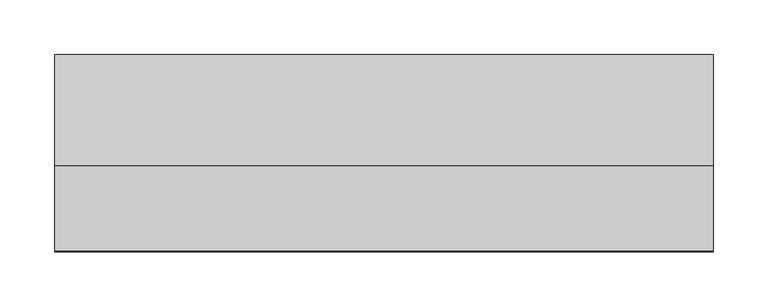
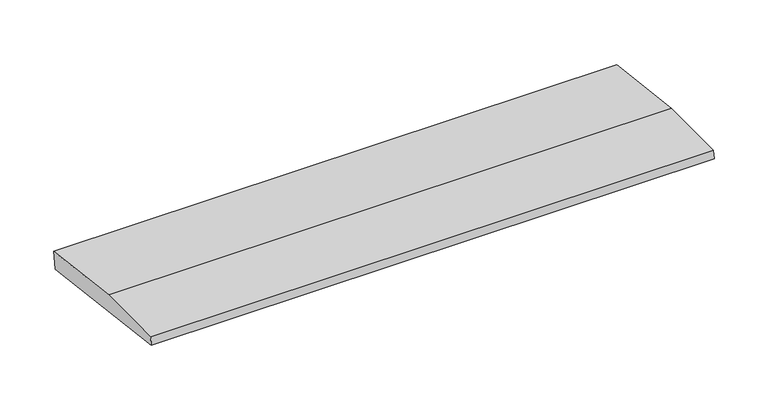
"""IFC4 building model written with IfcOpenShell, lengths in millimetres: beam geometry."""

import ifcopenshell
import ifcopenshell.guid

model = None  # the IFC model being written
_history = None  # IfcOwnerHistory: only IFC2X3 demands one
_inside = {}  # id of a spatial element -> (the spatial element, [elements in it])
_under = {}  # id of a project, library or spatial element -> (it, [spatial elements below it])
_declared = {}  # id of a project -> (the project, [libraries it declares])
_typed = {}  # id of a type object -> (the type object, [elements of that type])
_made_of = {}  # id of a material, layer set ... -> (it, [elements and type objects made of it])


def new_model(schema):
    """Start an empty IFC model of exactly this schema.

    Asked for "IFC4X3", IfcOpenShell would pick the latest addendum, in which some entities
    have other attributes; the version numbers below select the first issue.
    IFC2X3 requires an IfcOwnerHistory on every rooted entity: one is made here for all.
    """
    global model, _history
    if schema == "IFC4X3":
        model = ifcopenshell.file(schema_version=(4, 3, 0, 0))
    else:
        model = ifcopenshell.file(schema=schema)
    _inside.clear()
    _under.clear()
    _declared.clear()
    _typed.clear()
    _made_of.clear()
    _history = None
    if model.schema == "IFC2X3":
        org = make("IfcOrganization", Name="unknown")
        user = make(
            "IfcPersonAndOrganization",
            ThePerson=make("IfcPerson", FamilyName="unknown"),
            TheOrganization=org,
        )
        app = make(
            "IfcApplication",
            ApplicationDeveloper=org,
            Version="unknown",
            ApplicationFullName="unknown",
            ApplicationIdentifier="unknown",
        )
        _history = make(
            "IfcOwnerHistory",
            OwningUser=user,
            OwningApplication=app,
            ChangeAction="ADDED",
            CreationDate=0,
        )
    return model


def make(cls, **values):
    """One entity of the class cls with the attributes given. An attribute that is None is left unset."""
    return model.create_entity(
        cls, **{name: value for name, value in values.items() if value is not None}
    )


def rooted(cls, **values):
    """An entity with a GlobalId (a new one), such as an element, a storey or a relation."""
    return make(cls, GlobalId=ifcopenshell.guid.new(), OwnerHistory=_history, **values)


def si_unit(unit_type, name, prefix=None):
    """IfcSIUnit, for example si_unit("LENGTHUNIT", "METRE", prefix="MILLI")."""
    return make("IfcSIUnit", UnitType=unit_type, Prefix=prefix, Name=name)


def assignment(units):
    """IfcUnitAssignment: the units of a project."""
    return None if units is None else make("IfcUnitAssignment", Units=units)


def point(xyz):
    """IfcCartesianPoint."""
    return None if xyz is None else make("IfcCartesianPoint", Coordinates=xyz)


def direction(xyz):
    """IfcDirection."""
    return None if xyz is None else make("IfcDirection", DirectionRatios=xyz)


def frame(location, z_axis=None, x_axis=None):
    """IfcAxis2Placement3D, a coordinate frame: its origin and axes. An axis left out is left unset."""
    return make(
        "IfcAxis2Placement3D",
        Location=point(location),
        Axis=direction(z_axis),
        RefDirection=direction(x_axis),
    )


def origin():
    """The frame at (0, 0, 0) with its axes left unset."""
    return frame((0.0, 0.0, 0.0))


def place(relative_to, where):
    """IfcLocalPlacement: puts the frame where relative to a parent placement (None: the world)."""
    return make(
        "IfcLocalPlacement", PlacementRelTo=relative_to, RelativePlacement=where
    )


def context(
    kind, dimensions, precision=None, world=None, true_north=None, identifier=None
):
    """IfcGeometricRepresentationContext, for example the 3D "Model" context."""
    return make(
        "IfcGeometricRepresentationContext",
        ContextIdentifier=identifier,
        ContextType=kind,
        CoordinateSpaceDimension=dimensions,
        Precision=precision,
        WorldCoordinateSystem=world,
        TrueNorth=true_north,
    )


def project(units=None, contexts=None):
    """IfcProject with its units and contexts."""
    return rooted(
        "IfcProject",
        Name="project",
        RepresentationContexts=contexts,
        UnitsInContext=assignment(units),
    )


def spatial(cls, under=None, at=None, **own):
    """A site, building, storey or space (cls), placed at a placement, below another one or the project."""
    s = rooted(cls, ObjectPlacement=at, **own)
    if under is not None:
        _under.setdefault(under.id(), (under, []))[1].append(s)
    return s


def polyline(points):
    """IfcPolyline through the points."""
    return make("IfcPolyline", Points=[point(p) for p in points])


def outline(outer, holes=None, kind="AREA"):
    """IfcArbitraryClosedProfileDef: a profile drawn as a closed curve; with holes, ...WithVoids."""
    if holes is None:
        return make("IfcArbitraryClosedProfileDef", ProfileType=kind, OuterCurve=outer)
    return make(
        "IfcArbitraryProfileDefWithVoids",
        ProfileType=kind,
        OuterCurve=outer,
        InnerCurves=holes,
    )


def extrude(swept, where, along, depth):
    """IfcExtrudedAreaSolid: the profile swept, set in the frame where, extruded along a direction by depth."""
    return make(
        "IfcExtrudedAreaSolid",
        SweptArea=swept,
        Position=where,
        ExtrudedDirection=direction(along),
        Depth=depth,
    )


def shape(context_of_items, identifier, shape_type, items):
    """IfcShapeRepresentation: the items that make up one representation, for example the "Body"."""
    return make(
        "IfcShapeRepresentation",
        ContextOfItems=context_of_items,
        RepresentationIdentifier=identifier,
        RepresentationType=shape_type,
        Items=items,
    )


def source(mapping_origin, context_of_items, identifier, shape_type, items):
    """IfcRepresentationMap: a shape defined once, which mapped items show again and again."""
    return make(
        "IfcRepresentationMap",
        MappingOrigin=mapping_origin,
        MappedRepresentation=shape(context_of_items, identifier, shape_type, items),
    )


def transform(
    local_origin,
    x_axis=None,
    y_axis=None,
    z_axis=None,
    scale=None,
    scale2=None,
    scale3=None,
    uniform=True,
):
    """IfcCartesianTransformationOperator3D, or its non-uniform kind. x_axis, y_axis, z_axis: its Axis1, 2, 3."""
    if uniform:
        return make(
            "IfcCartesianTransformationOperator3D",
            Axis1=direction(x_axis),
            Axis2=direction(y_axis),
            LocalOrigin=point(local_origin),
            Scale=scale,
            Axis3=direction(z_axis),
        )
    return make(
        "IfcCartesianTransformationOperator3DnonUniform",
        Axis1=direction(x_axis),
        Axis2=direction(y_axis),
        LocalOrigin=point(local_origin),
        Scale=scale,
        Axis3=direction(z_axis),
        Scale2=scale2,
        Scale3=scale3,
    )


def mapped(mapping_source, mapping_target):
    """IfcMappedItem: shows the shape of a source again, moved by a transform."""
    return make(
        "IfcMappedItem", MappingSource=mapping_source, MappingTarget=mapping_target
    )


def made_of(thing, what):
    """Note that an element or type object is made of a material, layer set ...; save() writes the relation."""
    if what is not None:
        _made_of.setdefault(what.id(), (what, []))[1].append(thing)
    return thing


def element(
    cls,
    number,
    at=None,
    inside=None,
    cuts=None,
    type_object=None,
    material=None,
    context=None,
    identifier="Body",
    shape_type=None,
    held_by="IfcProductDefinitionShape",
    body=None,
    shapes=None,
    **own,
):
    """One element of the class cls, such as IfcWall. Its Tag is "e" and its number.

    at: its placement. inside: the storey or other place that contains it. cuts: it is an
    opening in that element (IfcRelVoidsElement). A single representation is given by context,
    identifier, shape_type and body (its items); several are given by shapes. held_by: the class
    of the entity that holds the representations. save() writes the other relations.
    """
    e = rooted(cls, Tag="e%d" % number, ObjectPlacement=at, **own)
    if body is not None:
        shapes = [shape(context, identifier, shape_type, body)]
    if shapes is not None:
        e.Representation = make(held_by, Representations=shapes)
    if inside is not None:
        _inside.setdefault(inside.id(), (inside, []))[1].append(e)
    if cuts is not None:
        rooted(
            "IfcRelVoidsElement", RelatingBuildingElement=cuts, RelatedOpeningElement=e
        )
    if type_object is not None:
        _typed.setdefault(type_object.id(), (type_object, []))[1].append(e)
    return made_of(e, material)


def aggregate(whole, parts):
    """IfcRelAggregates: a whole, such as a stair, and the parts it consists of."""
    return rooted("IfcRelAggregates", RelatingObject=whole, RelatedObjects=parts)


def save(model, path):
    """Write the relations noted so far, then the file.

    IfcRelAggregates (storeys below a building ...), IfcRelContainedInSpatialStructure (elements
    in a storey), IfcRelDefinesByType, IfcRelAssociatesMaterial and IfcRelDeclares: one each for
    every whole, place, type object, material and project.
    """
    for whole, parts in _under.values():
        aggregate(whole, parts)
    for where, things in _inside.values():
        rooted(
            "IfcRelContainedInSpatialStructure",
            RelatedElements=things,
            RelatingStructure=where,
        )
    for kind, things in _typed.values():
        rooted("IfcRelDefinesByType", RelatedObjects=things, RelatingType=kind)
    for what, things in _made_of.values():
        rooted("IfcRelAssociatesMaterial", RelatedObjects=things, RelatingMaterial=what)
    for by, libraries in _declared.values():
        rooted("IfcRelDeclares", RelatingContext=by, RelatedDefinitions=libraries)
    model.write(path)


def beam_b99cafa1(model_context):
    return source(origin(), model_context, "Body", "SweptSolid", [
        extrude(outline(polyline([(0.0, -9.143159), (1.1226388, 0.0), (79.0749747, 0.0), (180.9387048, -12.5072934), (178.6231873, -31.3656703), (0.0, -9.143159)])), frame((-301.3662148, 0.0, 0.0), z_axis=(1.0, 0.0, 0.0), x_axis=(0.0, 1.0, 0.0)), (0.0, 0.0, 1.0), 602.7324295),
    ])


if __name__ == "__main__":
    model = new_model("IFC4")
    model_context = context("Model", 3, world=origin())
    ifc_project = project(units=[si_unit("LENGTHUNIT", "METRE", prefix="MILLI")], contexts=[model_context])
    site = spatial("IfcSite", under=ifc_project)
    building = spatial("IfcBuilding", under=site)
    placement = place(None, origin())
    beam_shape = beam_b99cafa1(model_context)
    element("IfcBeam", 1, at=placement, inside=building, context=model_context, shape_type="MappedRepresentation", body=[
        mapped(beam_shape, transform((0.0, 0.0, 0.0), x_axis=(1.0, 0.0, 0.0), y_axis=(0.0, 1.0, 0.0), z_axis=(0.0, 0.0, 1.0))),
    ])
    save(model, "model.ifc")
